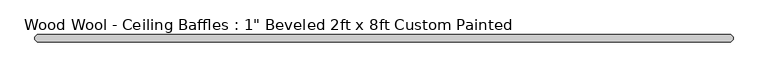
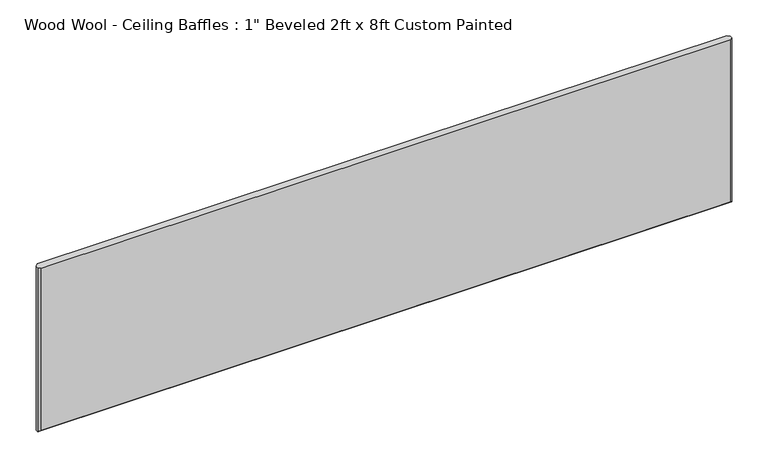
"""IFC4 building model written with IfcOpenShell, lengths in millimetres: proxy geometry."""

from ifc_helpers import new_model, si_unit, origin, place, context, project, spatial, faceted_brep, source, transform, mapped, element, save


def proxy_eb590854(model_context):
    return source(origin(), model_context, "Body", "Brep", [
        faceted_brep([(1211.199, -25.4, 609.6), (-1211.199, -25.4, 609.6), (-1211.199, -25.4, 8.001), (1211.199, -25.4, 8.001), (-1211.199, 0.0, 609.6), (1211.199, 0.0, 609.6), (1211.199, 0.0, 8.001), (-1211.199, 0.0, 8.001), (1219.2, -17.399, 609.6), (1219.2, -17.399, 0.0), (1219.2, -8.001, 0.0), (1219.2, -8.001, 609.6), (-1219.2, -8.001, 609.6), (-1219.2, -17.399, 609.6), (-1219.2, -17.399, 0.0), (-1219.2, -8.001, 0.0)], [[[0, 1, 2, 3]], [[4, 5, 6, 7]], [[8, 9, 10, 11]], [[1, 0, 8, 11, 5, 4, 12, 13]], [[14, 13, 12, 15]], [[9, 14, 15, 10]], [[9, 3, 2, 14]], [[3, 9, 8, 0]], [[14, 2, 1, 13]], [[10, 6, 5, 11]], [[6, 10, 15, 7]], [[7, 15, 12, 4]]]),
    ])


if __name__ == "__main__":
    model = new_model("IFC4")
    model_context = context("Model", 3, world=origin())
    ifc_project = project(units=[si_unit("LENGTHUNIT", "METRE", prefix="MILLI")], contexts=[model_context])
    site = spatial("IfcSite", under=ifc_project)
    building = spatial("IfcBuilding", under=site)
    placement = place(None, origin())
    proxy_shape = proxy_eb590854(model_context)
    element("IfcBuildingElementProxy", 1, Name="Wood Wool - Ceiling Baffles : 1\" Beveled 2ft x 8ft Custom Painted", ObjectType="Wood Wool - Ceiling Baffles : 1\" Beveled 2ft x 8ft Custom Painted", at=placement, inside=building, context=model_context, shape_type="MappedRepresentation", body=[
        mapped(proxy_shape, transform((0.0, 0.0, 0.0), x_axis=(1.0, 0.0, 0.0), y_axis=(0.0, 1.0, 0.0), z_axis=(0.0, 0.0, 1.0))),
    ])
    save(model, "model.ifc")
